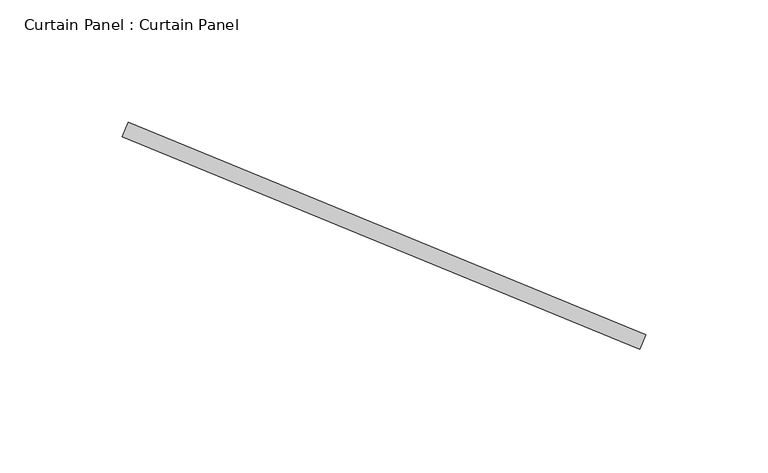
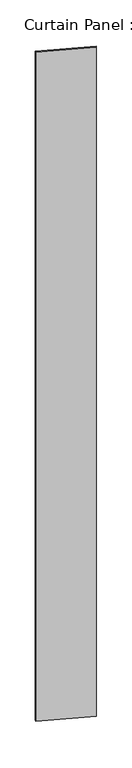
"""IFC4 building model written with IfcOpenShell, lengths in millimetres: plate geometry, Curtain Panel : Curtain Panel."""

from ifc_helpers import new_model, si_unit, origin, origin_with_axes, place, context, project, spatial, polyline, outline, extrude, source, transform, mapped, element, save


def curtain_panel_curtain_panel_3524a917(model_context):
    return source(origin(), model_context, "Body", "SweptSolid", [
        extrude(outline(polyline([(9998.2521585, 93010.8562802), (10209.6297432, 92924.0440501), (10207.2173432, 92918.1701394), (9995.8397585, 93004.9823695), (9998.2521585, 93010.8562802)])), origin_with_axes(), (0.0, 0.0, 1.0), 3048.0),
    ])


if __name__ == "__main__":
    model = new_model("IFC4")
    model_context = context("Model", 3, world=origin())
    ifc_project = project(units=[si_unit("LENGTHUNIT", "METRE", prefix="MILLI")], contexts=[model_context])
    site = spatial("IfcSite", under=ifc_project)
    building = spatial("IfcBuilding", under=site)
    placement = place(None, origin())
    curtain_panel_curtain_panel_shape = curtain_panel_curtain_panel_3524a917(model_context)
    element("IfcPlate", 1, ObjectType="Curtain Panel : Curtain Panel", at=placement, inside=building, context=model_context, shape_type="MappedRepresentation", body=[
        mapped(curtain_panel_curtain_panel_shape, transform((0.0, 0.0, 0.0), x_axis=(1.0, 0.0, 0.0), y_axis=(0.0, 1.0, 0.0), z_axis=(0.0, 0.0, 1.0))),
    ])
    save(model, "model.ifc")
